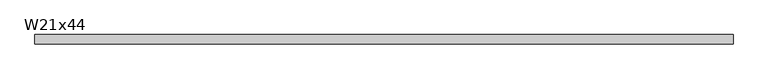
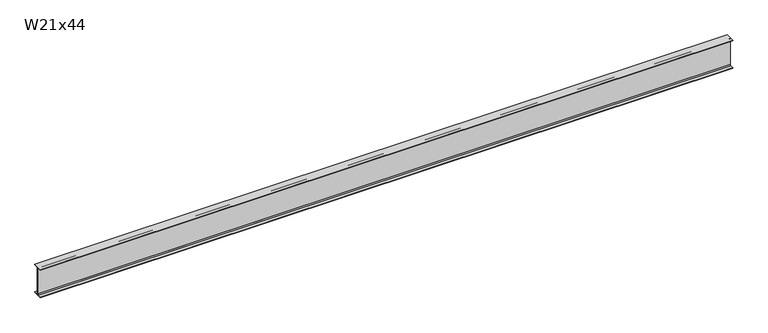
"""IFC4 building model written with IfcOpenShell, lengths in millimetres: beam geometry, W21x44."""

from ifc_helpers import new_model, si_unit, point, frame, frame_2d, origin, place, context, project, spatial, polyline, circle_curve, trimmed, segment, composite_curve, outline, extrude, source, transform, mapped, element, save


def w21x44_098fc143(model_context):
    return source(origin(), model_context, "Body", "SweptSolid", [
        extrude(outline(composite_curve([segment(polyline([(82.55, -251.46), (82.55, -262.89), (-82.55, -262.89), (-82.55, -251.46), (-21.59, -251.46)]), True, "CONTINUOUS"), segment(trimmed(circle_curve(frame_2d((-21.59, -234.315)), 17.145), [point((-21.59, -251.46))], [point((-4.445, -234.315))], True, "CARTESIAN"), True, "CONTINUOUS"), segment(polyline([(-4.445, -234.315), (-4.445, 234.315)]), True, "CONTINUOUS"), segment(trimmed(circle_curve(frame_2d((-21.59, 234.315)), 17.145), [point((-4.445, 234.315))], [point((-21.59, 251.46))], True, "CARTESIAN"), True, "CONTINUOUS"), segment(polyline([(-21.59, 251.46), (-82.55, 251.46), (-82.55, 262.89), (82.55, 262.89), (82.55, 251.46), (21.59, 251.46)]), True, "CONTINUOUS"), segment(trimmed(circle_curve(frame_2d((21.59, 234.315)), 17.145), [point((21.59, 251.46))], [point((4.445, 234.315))], True, "CARTESIAN"), True, "CONTINUOUS"), segment(polyline([(4.445, 234.315), (4.445, -234.315)]), True, "CONTINUOUS"), segment(trimmed(circle_curve(frame_2d((21.59, -234.315)), 17.145), [point((4.445, -234.315))], [point((21.59, -251.46))], True, "CARTESIAN"), True, "CONTINUOUS"), segment(polyline([(21.59, -251.46), (82.55, -251.46)]), True, "CONTINUOUS")], self_intersect=False)), frame((-6108.6999994, 0.0, 0.0), z_axis=(1.0, 0.0, 0.0), x_axis=(0.0, 1.0, 0.0)), (0.0, 0.0, 1.0), 12230.0999994),
    ])


if __name__ == "__main__":
    model = new_model("IFC4")
    model_context = context("Model", 3, world=origin())
    ifc_project = project(units=[si_unit("LENGTHUNIT", "METRE", prefix="MILLI")], contexts=[model_context])
    site = spatial("IfcSite", under=ifc_project)
    building = spatial("IfcBuilding", under=site)
    placement = place(None, origin())
    w21x44_shape = w21x44_098fc143(model_context)
    element("IfcBeam", 1, ObjectType="W21x44", at=placement, inside=building, context=model_context, shape_type="MappedRepresentation", body=[
        mapped(w21x44_shape, transform((0.0, 0.0, 0.0), x_axis=(1.0, 0.0, 0.0), y_axis=(0.0, 1.0, 0.0), z_axis=(0.0, 0.0, 1.0))),
    ])
    save(model, "model.ifc")
